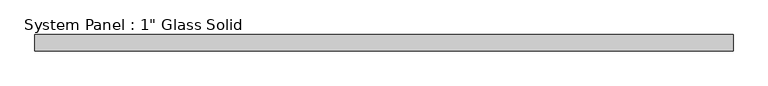
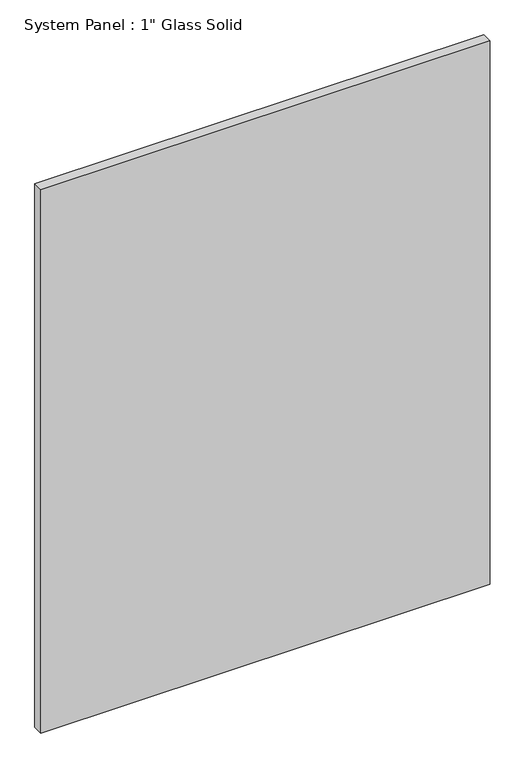
"""IFC4 building model written with IfcOpenShell, lengths in millimetres: plate geometry."""

import ifcopenshell
import ifcopenshell.guid

model = None  # the IFC model being written
_history = None  # IfcOwnerHistory: only IFC2X3 demands one
_inside = {}  # id of a spatial element -> (the spatial element, [elements in it])
_under = {}  # id of a project, library or spatial element -> (it, [spatial elements below it])
_declared = {}  # id of a project -> (the project, [libraries it declares])
_typed = {}  # id of a type object -> (the type object, [elements of that type])
_made_of = {}  # id of a material, layer set ... -> (it, [elements and type objects made of it])


def new_model(schema):
    """Start an empty IFC model of exactly this schema.

    Asked for "IFC4X3", IfcOpenShell would pick the latest addendum, in which some entities
    have other attributes; the version numbers below select the first issue.
    IFC2X3 requires an IfcOwnerHistory on every rooted entity: one is made here for all.
    """
    global model, _history
    if schema == "IFC4X3":
        model = ifcopenshell.file(schema_version=(4, 3, 0, 0))
    else:
        model = ifcopenshell.file(schema=schema)
    _inside.clear()
    _under.clear()
    _declared.clear()
    _typed.clear()
    _made_of.clear()
    _history = None
    if model.schema == "IFC2X3":
        org = make("IfcOrganization", Name="unknown")
        user = make(
            "IfcPersonAndOrganization",
            ThePerson=make("IfcPerson", FamilyName="unknown"),
            TheOrganization=org,
        )
        app = make(
            "IfcApplication",
            ApplicationDeveloper=org,
            Version="unknown",
            ApplicationFullName="unknown",
            ApplicationIdentifier="unknown",
        )
        _history = make(
            "IfcOwnerHistory",
            OwningUser=user,
            OwningApplication=app,
            ChangeAction="ADDED",
            CreationDate=0,
        )
    return model


def make(cls, **values):
    """One entity of the class cls with the attributes given. An attribute that is None is left unset."""
    return model.create_entity(
        cls, **{name: value for name, value in values.items() if value is not None}
    )


def rooted(cls, **values):
    """An entity with a GlobalId (a new one), such as an element, a storey or a relation."""
    return make(cls, GlobalId=ifcopenshell.guid.new(), OwnerHistory=_history, **values)


def si_unit(unit_type, name, prefix=None):
    """IfcSIUnit, for example si_unit("LENGTHUNIT", "METRE", prefix="MILLI")."""
    return make("IfcSIUnit", UnitType=unit_type, Prefix=prefix, Name=name)


def assignment(units):
    """IfcUnitAssignment: the units of a project."""
    return None if units is None else make("IfcUnitAssignment", Units=units)


def point(xyz):
    """IfcCartesianPoint."""
    return None if xyz is None else make("IfcCartesianPoint", Coordinates=xyz)


def direction(xyz):
    """IfcDirection."""
    return None if xyz is None else make("IfcDirection", DirectionRatios=xyz)


def frame(location, z_axis=None, x_axis=None):
    """IfcAxis2Placement3D, a coordinate frame: its origin and axes. An axis left out is left unset."""
    return make(
        "IfcAxis2Placement3D",
        Location=point(location),
        Axis=direction(z_axis),
        RefDirection=direction(x_axis),
    )


def origin():
    """The frame at (0, 0, 0) with its axes left unset."""
    return frame((0.0, 0.0, 0.0))


def origin_with_axes():
    """The frame at (0, 0, 0) with the z axis (0, 0, 1) and the x axis (1, 0, 0) written out."""
    return frame((0.0, 0.0, 0.0), z_axis=(0.0, 0.0, 1.0), x_axis=(1.0, 0.0, 0.0))


def place(relative_to, where):
    """IfcLocalPlacement: puts the frame where relative to a parent placement (None: the world)."""
    return make(
        "IfcLocalPlacement", PlacementRelTo=relative_to, RelativePlacement=where
    )


def context(
    kind, dimensions, precision=None, world=None, true_north=None, identifier=None
):
    """IfcGeometricRepresentationContext, for example the 3D "Model" context."""
    return make(
        "IfcGeometricRepresentationContext",
        ContextIdentifier=identifier,
        ContextType=kind,
        CoordinateSpaceDimension=dimensions,
        Precision=precision,
        WorldCoordinateSystem=world,
        TrueNorth=true_north,
    )


def project(units=None, contexts=None):
    """IfcProject with its units and contexts."""
    return rooted(
        "IfcProject",
        Name="project",
        RepresentationContexts=contexts,
        UnitsInContext=assignment(units),
    )


def spatial(cls, under=None, at=None, **own):
    """A site, building, storey or space (cls), placed at a placement, below another one or the project."""
    s = rooted(cls, ObjectPlacement=at, **own)
    if under is not None:
        _under.setdefault(under.id(), (under, []))[1].append(s)
    return s


def polyline(points):
    """IfcPolyline through the points."""
    return make("IfcPolyline", Points=[point(p) for p in points])


def outline(outer, holes=None, kind="AREA"):
    """IfcArbitraryClosedProfileDef: a profile drawn as a closed curve; with holes, ...WithVoids."""
    if holes is None:
        return make("IfcArbitraryClosedProfileDef", ProfileType=kind, OuterCurve=outer)
    return make(
        "IfcArbitraryProfileDefWithVoids",
        ProfileType=kind,
        OuterCurve=outer,
        InnerCurves=holes,
    )


def extrude(swept, where, along, depth):
    """IfcExtrudedAreaSolid: the profile swept, set in the frame where, extruded along a direction by depth."""
    return make(
        "IfcExtrudedAreaSolid",
        SweptArea=swept,
        Position=where,
        ExtrudedDirection=direction(along),
        Depth=depth,
    )


def shape(context_of_items, identifier, shape_type, items):
    """IfcShapeRepresentation: the items that make up one representation, for example the "Body"."""
    return make(
        "IfcShapeRepresentation",
        ContextOfItems=context_of_items,
        RepresentationIdentifier=identifier,
        RepresentationType=shape_type,
        Items=items,
    )


def source(mapping_origin, context_of_items, identifier, shape_type, items):
    """IfcRepresentationMap: a shape defined once, which mapped items show again and again."""
    return make(
        "IfcRepresentationMap",
        MappingOrigin=mapping_origin,
        MappedRepresentation=shape(context_of_items, identifier, shape_type, items),
    )


def transform(
    local_origin,
    x_axis=None,
    y_axis=None,
    z_axis=None,
    scale=None,
    scale2=None,
    scale3=None,
    uniform=True,
):
    """IfcCartesianTransformationOperator3D, or its non-uniform kind. x_axis, y_axis, z_axis: its Axis1, 2, 3."""
    if uniform:
        return make(
            "IfcCartesianTransformationOperator3D",
            Axis1=direction(x_axis),
            Axis2=direction(y_axis),
            LocalOrigin=point(local_origin),
            Scale=scale,
            Axis3=direction(z_axis),
        )
    return make(
        "IfcCartesianTransformationOperator3DnonUniform",
        Axis1=direction(x_axis),
        Axis2=direction(y_axis),
        LocalOrigin=point(local_origin),
        Scale=scale,
        Axis3=direction(z_axis),
        Scale2=scale2,
        Scale3=scale3,
    )


def mapped(mapping_source, mapping_target):
    """IfcMappedItem: shows the shape of a source again, moved by a transform."""
    return make(
        "IfcMappedItem", MappingSource=mapping_source, MappingTarget=mapping_target
    )


def made_of(thing, what):
    """Note that an element or type object is made of a material, layer set ...; save() writes the relation."""
    if what is not None:
        _made_of.setdefault(what.id(), (what, []))[1].append(thing)
    return thing


def element(
    cls,
    number,
    at=None,
    inside=None,
    cuts=None,
    type_object=None,
    material=None,
    context=None,
    identifier="Body",
    shape_type=None,
    held_by="IfcProductDefinitionShape",
    body=None,
    shapes=None,
    **own,
):
    """One element of the class cls, such as IfcWall. Its Tag is "e" and its number.

    at: its placement. inside: the storey or other place that contains it. cuts: it is an
    opening in that element (IfcRelVoidsElement). A single representation is given by context,
    identifier, shape_type and body (its items); several are given by shapes. held_by: the class
    of the entity that holds the representations. save() writes the other relations.
    """
    e = rooted(cls, Tag="e%d" % number, ObjectPlacement=at, **own)
    if body is not None:
        shapes = [shape(context, identifier, shape_type, body)]
    if shapes is not None:
        e.Representation = make(held_by, Representations=shapes)
    if inside is not None:
        _inside.setdefault(inside.id(), (inside, []))[1].append(e)
    if cuts is not None:
        rooted(
            "IfcRelVoidsElement", RelatingBuildingElement=cuts, RelatedOpeningElement=e
        )
    if type_object is not None:
        _typed.setdefault(type_object.id(), (type_object, []))[1].append(e)
    return made_of(e, material)


def aggregate(whole, parts):
    """IfcRelAggregates: a whole, such as a stair, and the parts it consists of."""
    return rooted("IfcRelAggregates", RelatingObject=whole, RelatedObjects=parts)


def save(model, path):
    """Write the relations noted so far, then the file.

    IfcRelAggregates (storeys below a building ...), IfcRelContainedInSpatialStructure (elements
    in a storey), IfcRelDefinesByType, IfcRelAssociatesMaterial and IfcRelDeclares: one each for
    every whole, place, type object, material and project.
    """
    for whole, parts in _under.values():
        aggregate(whole, parts)
    for where, things in _inside.values():
        rooted(
            "IfcRelContainedInSpatialStructure",
            RelatedElements=things,
            RelatingStructure=where,
        )
    for kind, things in _typed.values():
        rooted("IfcRelDefinesByType", RelatedObjects=things, RelatingType=kind)
    for what, things in _made_of.values():
        rooted("IfcRelAssociatesMaterial", RelatedObjects=things, RelatingMaterial=what)
    for by, libraries in _declared.values():
        rooted("IfcRelDeclares", RelatingContext=by, RelatedDefinitions=libraries)
    model.write(path)


def plate_4ff7ac78(model_context):
    return source(origin(), model_context, "Body", "SweptSolid", [
        extrude(outline(polyline([(543.9345691, -12.7), (-543.9345691, -12.7), (-543.9345691, 12.7), (543.9345691, 12.7), (543.9345691, -12.7)])), origin_with_axes(), (0.0, 0.0, 1.0), 1390.5394027),
    ])


if __name__ == "__main__":
    model = new_model("IFC4")
    model_context = context("Model", 3, world=origin())
    ifc_project = project(units=[si_unit("LENGTHUNIT", "METRE", prefix="MILLI")], contexts=[model_context])
    site = spatial("IfcSite", under=ifc_project)
    building = spatial("IfcBuilding", under=site)
    placement = place(None, origin())
    plate_shape = plate_4ff7ac78(model_context)
    element("IfcPlate", 1, ObjectType="System Panel : 1\" Glass Solid", at=placement, inside=building, context=model_context, shape_type="MappedRepresentation", body=[
        mapped(plate_shape, transform((0.0, 0.0, 0.0), x_axis=(1.0, 0.0, 0.0), y_axis=(0.0, 1.0, 0.0), z_axis=(0.0, 0.0, 1.0))),
    ])
    save(model, "model.ifc")
